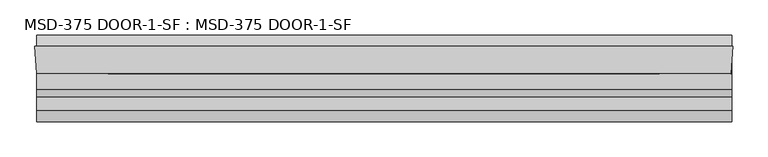
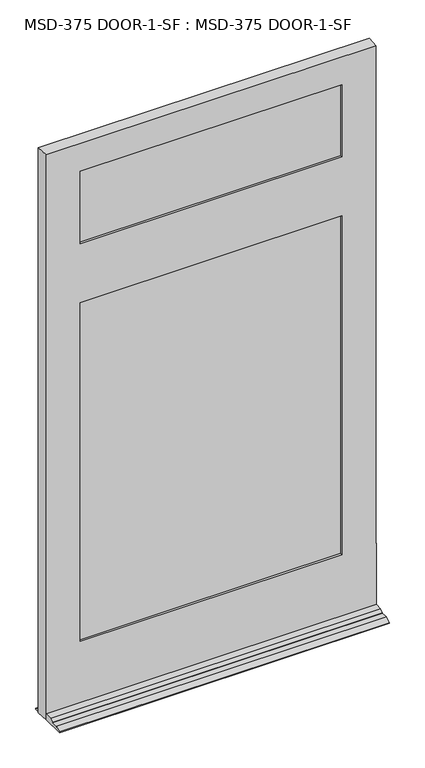
"""IFC4 building model written with IfcOpenShell, lengths in millimetres: plate geometry, MSD-375 DOOR-1-SF : MSD-375 DOOR-1-SF."""

from ifc_helpers import new_model, si_unit, frame, origin, place, context, project, spatial, polyline, outline, extrude, faceted_brep, source, transform, mapped, element, save


def msd_375_door_1_sf_msd_375_door_1_sf_9fdc53bc(model_context):
    return source(origin(), model_context, "Body", "SolidModel", [
        faceted_brep([(570.0313901, 1.8752528, 0.0), (571.4353327, 1.8752528, 0.0), (570.0313901, -20.6651106, 0.0), (570.0313901, -121.9497472, 0.0), (-575.0814, -121.9497472, 0.0), (-575.0814, -42.5747472, 0.0), (-577.85, 1.8752528, 0.0), (-575.0814, 1.8752528, 0.0), (-575.0814, 20.9252528, 0.0), (570.0313901, 20.9252528, 0.0), (570.0313901, -35.1325472, 226.2251), (570.0313901, -35.1325472, 246.0625), (570.0313901, -42.5747472, 246.0625), (570.0313901, -42.5747472, 21.4376), (570.0313901, -68.4446472, 21.4376), (570.0313901, -80.8652472, 14.2748), (570.0313901, -80.8652472, 12.7), (570.0313901, -102.8997472, 12.7), (570.0313901, -121.9497472, 3.175), (570.0313901, -20.6651106, 226.2251), (570.0313901, 20.9252528, 3.175), (570.0313901, 1.8752528, 12.7), (-575.0814, 1.8752528, 12.7), (-575.0814, 20.9252528, 3.175), (-575.0814, -121.9497472, 3.175), (-575.0814, -102.8997472, 12.7), (-575.0814, -80.8652472, 12.7), (-575.0814, -80.8652472, 14.2748), (-575.0814, -68.4446472, 21.4376), (-575.0814, -42.5747472, 21.4376), (571.4353327, 1.8752528, 2070.0168046), (-577.85, 1.8752528, 2070.0168046), (-457.2, 1.8752528, 1487.4748), (-457.2, 1.8752528, 246.0625), (450.7853327, 1.8752528, 246.0625), (450.7853327, 1.8752528, 1487.4748), (450.7853327, 1.8752528, 1968.4168046), (-457.2, 1.8752528, 1968.4168046), (-457.2, 1.8752528, 1703.3748), (450.7853327, 1.8752528, 1703.3748), (450.7853327, -9.7325472, 1968.4168046), (-457.2, -9.7325472, 1968.4168046), (470.6227327, -9.7325472, 1507.3249), (-477.0374, -9.7325472, 1507.3249), (-477.0374, -9.7325472, 226.2251), (470.6227327, -9.7325472, 226.2251), (-457.2, -9.7325472, 1487.4748), (450.7853327, -9.7325472, 1487.4748), (450.7853327, -9.7325472, 246.0625), (-457.2, -9.7325472, 246.0625), (470.6227327, -9.7325472, 1988.3374), (-477.0374, -9.7325472, 1988.3374), (-477.0374, -9.7325472, 1683.5374), (470.6227327, -9.7325472, 1683.5374), (450.7853327, -9.7325472, 1703.3748), (-457.2, -9.7325472, 1703.3748), (470.6227327, -35.1325472, 1988.3374), (-477.0374, -35.1325472, 1988.3374), (569.1302755, -35.1325472, 226.2251), (569.1302755, -35.1325472, 246.0625), (-477.0374, -35.1325472, 1507.3249), (470.6227327, -35.1325472, 1507.3249), (470.6227327, -35.1325472, 226.2251), (-477.0374, -35.1325472, 226.2251), (450.7853327, -35.1325472, 1487.4748), (-457.2, -35.1325472, 1487.4748), (-457.2, -35.1325472, 246.0625), (450.7853327, -35.1325472, 246.0625), (470.6227327, -35.1325472, 1683.5374), (-477.0374, -35.1325472, 1683.5374), (450.7853327, -35.1325472, 1968.4168046), (-457.2, -35.1325472, 1968.4168046), (-457.2, -35.1325472, 1703.3748), (450.7853327, -35.1325472, 1703.3748), (450.7853327, -42.5747472, 1968.4168046), (-457.2, -42.5747472, 1968.4168046), (568.6667327, -42.5747472, 2070.0168046), (-575.0814, -42.5747472, 2070.0168046), (568.6667327, -42.5747472, 246.0625), (450.7853327, -42.5747472, 1487.4748), (450.7853327, -42.5747472, 246.0625), (-457.2, -42.5747472, 246.0625), (-457.2, -42.5747472, 1487.4748), (450.7853327, -42.5747472, 1703.3748), (-457.2, -42.5747472, 1703.3748)], [[[0, 1, 2, 3, 4, 5, 6, 7, 8, 9]], [[10, 11, 12, 13, 14, 15, 16, 17, 18, 3, 2, 19]], [[9, 20, 21, 0]], [[22, 23, 8, 7]], [[4, 24, 25, 26, 27, 28, 29, 5]], [[30, 1, 0, 21, 22, 7, 6, 31], [32, 33, 34, 35], [36, 37, 38, 39]], [[36, 40, 41, 37]], [[42, 43, 44, 45], [46, 47, 48, 49]], [[50, 51, 52, 53], [41, 40, 54, 55]], [[50, 56, 57, 51]], [[11, 10, 58, 59]], [[60, 61, 62, 63], [64, 65, 66, 67]], [[57, 56, 68, 69], [70, 71, 72, 73]], [[70, 74, 75, 71]], [[76, 77, 29, 13, 12, 78], [79, 80, 81, 82], [75, 74, 83, 84]], [[76, 30, 31, 77]], [[56, 50, 53, 68]], [[62, 61, 42, 45]], [[74, 70, 73, 83]], [[79, 64, 67, 80]], [[30, 76, 78, 59, 58, 19, 2, 1]], [[40, 36, 39, 54]], [[47, 35, 34, 48]], [[29, 77, 31, 6, 5]], [[71, 75, 84, 72]], [[65, 82, 81, 66]], [[44, 43, 60, 63]], [[51, 57, 69, 52]], [[37, 41, 55, 38]], [[32, 46, 49, 33]], [[39, 38, 55, 54]], [[68, 53, 52, 69]], [[73, 72, 84, 83]], [[65, 64, 79, 82]], [[42, 61, 60, 43]], [[32, 35, 47, 46]], [[10, 19, 58]], [[63, 62, 45, 44]], [[12, 11, 59, 78]], [[67, 66, 81, 80]], [[14, 13, 29, 28]], [[15, 14, 28, 27]], [[16, 15, 27, 26]], [[17, 16, 26, 25]], [[18, 17, 25, 24]], [[3, 18, 24, 4]], [[20, 9, 8, 23]], [[22, 21, 20, 23]], [[34, 33, 49, 48]]]),
        extrude(outline(polyline([(-477.0374, -9.7325472), (470.6227327, -9.7325472), (470.6227327, -14.8125472), (-477.0374, -14.8125472), (-477.0374, -9.7325472)])), frame((0.0, 0.0, 226.21875), z_axis=(0.0, 0.0, 1.0), x_axis=(1.0, 0.0, 0.0)), (0.0, 0.0, 1.0), 1281.10615),
        extrude(outline(polyline([(470.6227327, -24.2105472), (470.6227327, -29.2905472), (-477.0374, -29.2905472), (-477.0374, -24.2105472), (470.6227327, -24.2105472)])), frame((0.0, 0.0, 226.21875), z_axis=(0.0, 0.0, 1.0), x_axis=(1.0, 0.0, 0.0)), (0.0, 0.0, 1.0), 1281.10615),
        extrude(outline(polyline([(-477.0374, -30.0525472), (470.6227327, -30.0525472), (470.6227327, -35.1325472), (-477.0374, -35.1325472), (-477.0374, -30.0525472)])), frame((0.0, 0.0, 226.21875), z_axis=(0.0, 0.0, 1.0), x_axis=(1.0, 0.0, 0.0)), (0.0, 0.0, 1.0), 1281.10615),
        extrude(outline(polyline([(-475.1412802, -9.7325472), (470.0088756, -9.7325472), (470.0088756, -14.8125472), (-475.1412802, -14.8125472), (-475.1412802, -9.7325472)])), frame((0.0, 0.0, 1683.5374), z_axis=(0.0, 0.0, 1.0), x_axis=(1.0, 0.0, 0.0)), (0.0, 0.0, 1.0), 304.8),
        extrude(outline(polyline([(470.0088756, -24.2105472), (470.0088756, -29.2905472), (-475.1412802, -29.2905472), (-475.1412802, -24.2105472), (470.0088756, -24.2105472)])), frame((0.0, 0.0, 1683.5374), z_axis=(0.0, 0.0, 1.0), x_axis=(1.0, 0.0, 0.0)), (0.0, 0.0, 1.0), 304.8),
        extrude(outline(polyline([(-475.1412802, -30.0525472), (470.0088756, -30.0525472), (470.0088756, -35.1325472), (-475.1412802, -35.1325472), (-475.1412802, -30.0525472)])), frame((0.0, 0.0, 1683.5374), z_axis=(0.0, 0.0, 1.0), x_axis=(1.0, 0.0, 0.0)), (0.0, 0.0, 1.0), 304.8),
    ])


if __name__ == "__main__":
    model = new_model("IFC4")
    model_context = context("Model", 3, world=origin())
    ifc_project = project(units=[si_unit("LENGTHUNIT", "METRE", prefix="MILLI")], contexts=[model_context])
    site = spatial("IfcSite", under=ifc_project)
    building = spatial("IfcBuilding", under=site)
    placement = place(None, origin())
    msd_375_door_1_sf_msd_375_door_1_sf_shape = msd_375_door_1_sf_msd_375_door_1_sf_9fdc53bc(model_context)
    element("IfcPlate", 1, ObjectType="MSD-375 DOOR-1-SF : MSD-375 DOOR-1-SF", at=placement, inside=building, context=model_context, shape_type="MappedRepresentation", body=[
        mapped(msd_375_door_1_sf_msd_375_door_1_sf_shape, transform((0.0, 0.0, 0.0), x_axis=(1.0, 0.0, 0.0), y_axis=(0.0, 1.0, 0.0), z_axis=(0.0, 0.0, 1.0))),
    ])
    save(model, "model.ifc")
